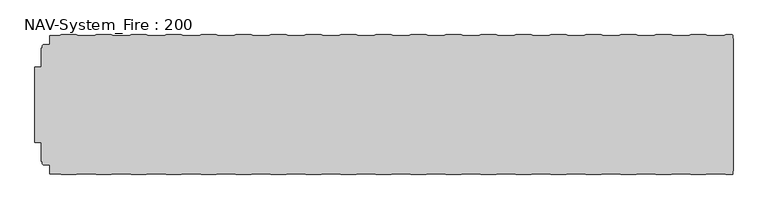
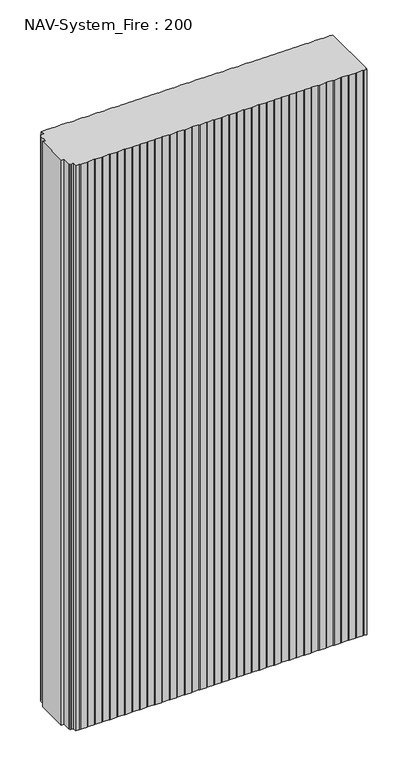
"""IFC4 building model written with IfcOpenShell, lengths in millimetres: plate geometry, NAV-System_Fire : 200."""

from ifc_helpers import new_model, si_unit, point, frame_2d, origin, origin_with_axes, place, context, project, spatial, polyline, circle_curve, trimmed, segment, composite_curve, outline, extrude, source, transform, mapped, element, save


def nav_system_fire_200_875767a2(model_context):
    return source(origin(), model_context, "Body", "SweptSolid", [
        extrude(outline(composite_curve([segment(polyline([(489.3798221, -0.8), (498.2500017, -0.8)]), True, "CONTINUOUS"), segment(trimmed(circle_curve(frame_2d((498.2500017, -2.0000002)), 1.2000002), [point((498.2500017, -0.8))], [point((499.4471561, -1.9174062))], False, "CARTESIAN"), True, "CONTINUOUS"), segment(polyline([(499.4471561, -1.9174062), (499.4471561, -6.2000106), (499.75, -6.2000106), (499.75, -195.3999955), (499.4471561, -195.3999955), (499.4471561, -199.6454029)]), True, "CONTINUOUS"), segment(trimmed(circle_curve(frame_2d((498.2925591, -199.6454029)), 1.1545971), [point((499.4471561, -199.6454029))], [point((498.2925591, -200.8))], False, "CARTESIAN"), True, "CONTINUOUS"), segment(polyline([(498.2925591, -200.8), (489.3798221, -200.8), (486.3798221, -199.8), (464.1201779, -199.8), (461.1201779, -200.8), (439.3798221, -200.8), (436.3798221, -199.8), (414.1201779, -199.8), (411.1201779, -200.8), (389.3798221, -200.8), (386.3798221, -199.8), (364.1201779, -199.8), (361.1201779, -200.8), (339.3798221, -200.8), (336.3798221, -199.8), (314.1201779, -199.8), (311.1201779, -200.8), (289.3798221, -200.8), (286.3798221, -199.8), (264.1201779, -199.8), (261.1201779, -200.8), (239.3798221, -200.8), (236.3798221, -199.8), (214.1201779, -199.8), (211.1201779, -200.8), (189.3798221, -200.8), (186.3798221, -199.8), (164.1201779, -199.8), (161.1201779, -200.8), (139.3798221, -200.8), (136.3798221, -199.8), (114.1201779, -199.8), (111.1201779, -200.8), (89.3798221, -200.8), (86.3798221, -199.8), (64.1201779, -199.8), (61.1201779, -200.8), (39.3798221, -200.8), (36.3798221, -199.8), (14.1201779, -199.8), (11.1201779, -200.8), (-10.6201779, -200.8), (-13.6201779, -199.8), (-35.8798221, -199.8), (-38.8798221, -200.8), (-60.6201779, -200.8), (-63.6201779, -199.8), (-85.8798221, -199.8), (-88.8798221, -200.8), (-110.6201779, -200.8), (-113.6201779, -199.8), (-135.8798221, -199.8), (-138.8798221, -200.8), (-160.6201779, -200.8), (-163.6201779, -199.8), (-185.8798221, -199.8), (-188.8798221, -200.8), (-210.6201779, -200.8), (-213.6201779, -199.8), (-235.8798221, -199.8), (-238.8798221, -200.8), (-260.6201779, -200.8), (-263.6201779, -199.8), (-285.8798221, -199.8), (-288.8798221, -200.8), (-310.6201779, -200.8), (-313.6201779, -199.8), (-335.8798221, -199.8), (-338.8798221, -200.8), (-360.6201779, -200.8), (-363.6201779, -199.8), (-385.8798221, -199.8), (-388.8798221, -200.8), (-410.6201779, -200.8), (-413.6201779, -199.8), (-435.8798221, -199.8), (-438.8798221, -200.8), (-460.6201779, -200.8), (-463.6201779, -199.8), (-476.9102086, -199.8), (-476.9102086, -187.1656781), (-483.4274762, -187.1656781), (-485.8625665, -186.7363058)]), True, "CONTINUOUS"), segment(trimmed(circle_curve(frame_2d((-485.5499995, -184.963651)), 1.8000009), [point((-485.8625665, -186.7363058))], [point((-487.3500004, -184.963651))], False, "CARTESIAN"), True, "CONTINUOUS"), segment(polyline([(-487.3500004, -184.963651), (-487.3500004, -181.6488001), (-488.9000495, -181.6488001), (-488.9000495, -154.8), (-497.9027105, -154.8), (-497.9027105, -46.8), (-488.9002227, -46.8), (-488.9002227, -19.9512003), (-487.3500004, -19.9512003), (-487.3500004, -16.6387681)]), True, "CONTINUOUS"), segment(trimmed(circle_curve(frame_2d((-485.5499995, -16.6387681)), 1.8000009), [point((-487.3500004, -16.6387681))], [point((-485.8625665, -14.8661133))], False, "CARTESIAN"), True, "CONTINUOUS"), segment(polyline([(-485.8625665, -14.8661133), (-483.4274762, -14.436741), (-476.9102086, -14.436741), (-476.9102086, -1.8), (-463.6201779, -1.8), (-460.6201779, -0.8), (-438.8798221, -0.8), (-435.8798221, -1.8), (-413.6201779, -1.8), (-410.6201779, -0.8), (-388.8798221, -0.8), (-385.8798221, -1.8), (-363.6201779, -1.8), (-360.6201779, -0.8), (-338.8798221, -0.8), (-335.8798221, -1.8), (-313.6201779, -1.8), (-310.6201779, -0.8), (-288.8798221, -0.8), (-285.8798221, -1.8), (-263.6201779, -1.8), (-260.6201779, -0.8), (-238.8798221, -0.8), (-235.8798221, -1.8), (-213.6201779, -1.8), (-210.6201779, -0.8), (-188.8798221, -0.8), (-185.8798221, -1.8), (-163.6201779, -1.8), (-160.6201779, -0.8), (-138.8798221, -0.8), (-135.8798221, -1.8), (-113.6201779, -1.8), (-110.6201779, -0.8), (-88.8798221, -0.8), (-85.8798221, -1.8), (-63.6201779, -1.8), (-60.6201779, -0.8), (-38.8798221, -0.8), (-35.8798221, -1.8), (-13.6201779, -1.8), (-10.6201779, -0.8), (11.1201779, -0.8), (14.1201779, -1.8), (36.3798221, -1.8), (39.3798221, -0.8), (61.1201779, -0.8), (64.1201779, -1.8), (86.3798221, -1.8), (89.3798221, -0.8), (111.1201779, -0.8), (114.1201779, -1.8), (136.3798221, -1.8), (139.3798221, -0.8), (161.1201779, -0.8), (164.1201779, -1.8), (186.3798221, -1.8), (189.3798221, -0.8), (211.1201779, -0.8), (214.1201779, -1.8), (236.3798221, -1.8), (239.3798221, -0.8), (261.1201779, -0.8), (264.1201779, -1.8), (286.3798221, -1.8), (289.3798221, -0.8), (311.1201779, -0.8), (314.1201779, -1.8), (336.3798221, -1.8), (339.3798221, -0.8), (361.1201779, -0.8), (364.1201779, -1.8), (386.3798221, -1.8), (389.3798221, -0.8), (411.1201779, -0.8), (414.1201779, -1.8), (436.3798221, -1.8), (439.3798221, -0.8), (461.1201779, -0.8), (464.1201779, -1.8), (486.3798221, -1.8), (489.3798221, -0.8)]), True, "CONTINUOUS")], self_intersect=False)), origin_with_axes(), (0.0, 0.0, 1.0), 2000.0),
    ])


if __name__ == "__main__":
    model = new_model("IFC4")
    model_context = context("Model", 3, world=origin())
    ifc_project = project(units=[si_unit("LENGTHUNIT", "METRE", prefix="MILLI")], contexts=[model_context])
    site = spatial("IfcSite", under=ifc_project)
    building = spatial("IfcBuilding", under=site)
    placement = place(None, origin())
    nav_system_fire_200_shape = nav_system_fire_200_875767a2(model_context)
    element("IfcPlate", 1, ObjectType="NAV-System_Fire : 200", at=placement, inside=building, context=model_context, shape_type="MappedRepresentation", body=[
        mapped(nav_system_fire_200_shape, transform((0.0, 0.0, 0.0), x_axis=(1.0, 0.0, 0.0), y_axis=(0.0, 1.0, 0.0), z_axis=(0.0, 0.0, 1.0))),
    ])
    save(model, "model.ifc")
